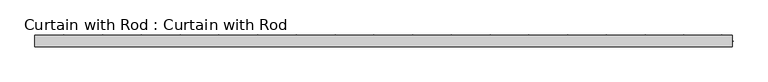
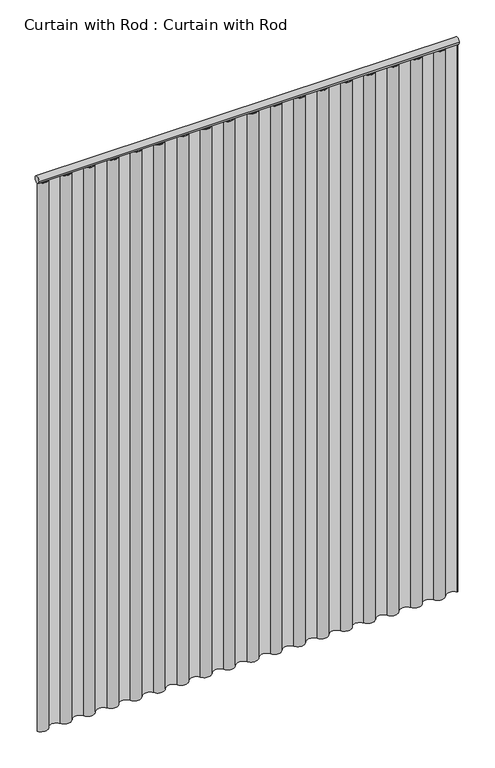
"""IFC4 building model written with IfcOpenShell, lengths in millimetres: proxy geometry, Curtain with Rod : Curtain with Rod."""

from ifc_helpers import new_model, si_unit, point, frame, frame_2d, origin, origin_with_axes, place, context, project, spatial, polyline, circle_curve, trimmed, segment, composite_curve, outline, extrude, source, transform, mapped, element, save


def curtain_with_rod_curtain_with_rod_6dafef4b(model_context):
    return source(origin(), model_context, "Body", "SweptSolid", [
        extrude(outline(composite_curve([segment(trimmed(circle_curve(frame_2d((0.0, 2171.7)), 12.7), [point((12.7, 2171.7))], [point((-12.7, 2171.7))], False, "CARTESIAN"), True, "CONTINUOUS"), segment(trimmed(circle_curve(frame_2d((0.0, 2171.7)), 12.7), [point((-12.7, 2171.7))], [point((12.7, 2171.7))], False, "CARTESIAN"), True, "CONTINUOUS")], self_intersect=False)), frame((-782.5157253, 0.0, 0.0), z_axis=(1.0, 0.0, 0.0), x_axis=(0.0, 1.0, 0.0)), (0.0, 0.0, 1.0), 1565.0314506),
        extrude(outline(composite_curve([segment(trimmed(circle_curve(frame_2d((-760.7791774, 12.8997295)), 25.2760862), [point((-739.0426294, 0.0))], [point((-782.5157253, 0.0))], False, "CARTESIAN"), True, "CONTINUOUS"), segment(polyline([(-782.5157253, 0.0), (-780.6493238, 0.0)]), True, "CONTINUOUS"), segment(trimmed(circle_curve(frame_2d((-760.7791774, 12.8997295)), 23.6902035), [point((-780.6493238, 0.0))], [point((-740.4048858, 0.8119678))], True, "CARTESIAN"), True, "CONTINUOUS"), segment(trimmed(circle_curve(frame_2d((-717.3060815, -12.9840404)), 26.9051036), [point((-740.4048858, 0.8119678))], [point((-694.2080512, 0.8132635))], False, "CARTESIAN"), True, "CONTINUOUS"), segment(trimmed(circle_curve(frame_2d((-673.8329857, 12.9840404)), 23.7333332), [point((-694.2080512, 0.8132635))], [point((-653.4579201, 0.8132635))], True, "CARTESIAN"), True, "CONTINUOUS"), segment(trimmed(circle_curve(frame_2d((-630.3598898, -12.9840404)), 26.9051036), [point((-653.4579201, 0.8132635))], [point((-607.2618595, 0.8132635))], False, "CARTESIAN"), True, "CONTINUOUS"), segment(trimmed(circle_curve(frame_2d((-586.886794, 12.9840404)), 23.7333332), [point((-607.2618595, 0.8132635))], [point((-566.5117284, 0.8132635))], True, "CARTESIAN"), True, "CONTINUOUS"), segment(trimmed(circle_curve(frame_2d((-543.4136981, -12.9840404)), 26.9051036), [point((-566.5117284, 0.8132635))], [point((-520.3156678, 0.8132635))], False, "CARTESIAN"), True, "CONTINUOUS"), segment(trimmed(circle_curve(frame_2d((-499.9406023, 12.9840404)), 23.7333332), [point((-520.3156678, 0.8132635))], [point((-479.5655367, 0.8132635))], True, "CARTESIAN"), True, "CONTINUOUS"), segment(trimmed(circle_curve(frame_2d((-456.4675064, -12.9840404)), 26.9051036), [point((-479.5655367, 0.8132635))], [point((-433.3694761, 0.8132635))], False, "CARTESIAN"), True, "CONTINUOUS"), segment(trimmed(circle_curve(frame_2d((-412.9944106, 12.9840404)), 23.7333332), [point((-433.3694761, 0.8132635))], [point((-392.619345, 0.8132635))], True, "CARTESIAN"), True, "CONTINUOUS"), segment(trimmed(circle_curve(frame_2d((-369.5213147, -12.9840404)), 26.9051036), [point((-392.619345, 0.8132635))], [point((-346.4232844, 0.8132635))], False, "CARTESIAN"), True, "CONTINUOUS"), segment(trimmed(circle_curve(frame_2d((-326.0482189, 12.9840404)), 23.7333332), [point((-346.4232844, 0.8132635))], [point((-305.6731533, 0.8132635))], True, "CARTESIAN"), True, "CONTINUOUS"), segment(trimmed(circle_curve(frame_2d((-282.575123, -12.9840404)), 26.9051036), [point((-305.6731533, 0.8132635))], [point((-259.4770927, 0.8132635))], False, "CARTESIAN"), True, "CONTINUOUS"), segment(trimmed(circle_curve(frame_2d((-239.1020272, 12.9840404)), 23.7333332), [point((-259.4770927, 0.8132635))], [point((-218.7269616, 0.8132635))], True, "CARTESIAN"), True, "CONTINUOUS"), segment(trimmed(circle_curve(frame_2d((-195.6289313, -12.9840404)), 26.9051036), [point((-218.7269616, 0.8132635))], [point((-172.530901, 0.8132635))], False, "CARTESIAN"), True, "CONTINUOUS"), segment(trimmed(circle_curve(frame_2d((-152.1558355, 12.9840404)), 23.7333332), [point((-172.530901, 0.8132635))], [point((-131.7807699, 0.8132635))], True, "CARTESIAN"), True, "CONTINUOUS"), segment(trimmed(circle_curve(frame_2d((-108.6827396, -12.9840404)), 26.9051036), [point((-131.7807699, 0.8132635))], [point((-85.5847093, 0.8132635))], False, "CARTESIAN"), True, "CONTINUOUS"), segment(trimmed(circle_curve(frame_2d((-65.2096438, 12.9840404)), 23.7333332), [point((-85.5847093, 0.8132635))], [point((-44.8345782, 0.8132635))], True, "CARTESIAN"), True, "CONTINUOUS"), segment(trimmed(circle_curve(frame_2d((-21.7365479, -12.9840404)), 26.9051036), [point((-44.8345782, 0.8132635))], [point((1.3614824, 0.8132635))], False, "CARTESIAN"), True, "CONTINUOUS"), segment(trimmed(circle_curve(frame_2d((21.7365479, 12.9840404)), 23.7333332), [point((1.3614824, 0.8132635))], [point((42.1116135, 0.8132635))], True, "CARTESIAN"), True, "CONTINUOUS"), segment(trimmed(circle_curve(frame_2d((65.2096438, -12.9840404)), 26.9051036), [point((42.1116135, 0.8132635))], [point((88.3076741, 0.8132635))], False, "CARTESIAN"), True, "CONTINUOUS"), segment(trimmed(circle_curve(frame_2d((108.6827396, 12.9840404)), 23.7333332), [point((88.3076741, 0.8132635))], [point((129.0578052, 0.8132635))], True, "CARTESIAN"), True, "CONTINUOUS"), segment(trimmed(circle_curve(frame_2d((152.1558355, -12.9840404)), 26.9051036), [point((129.0578052, 0.8132635))], [point((175.2538658, 0.8132635))], False, "CARTESIAN"), True, "CONTINUOUS"), segment(trimmed(circle_curve(frame_2d((195.6289313, 12.9840404)), 23.7333332), [point((175.2538658, 0.8132635))], [point((216.0039969, 0.8132635))], True, "CARTESIAN"), True, "CONTINUOUS"), segment(trimmed(circle_curve(frame_2d((239.1020272, -12.9840404)), 26.9051036), [point((216.0039969, 0.8132635))], [point((262.2000575, 0.8132635))], False, "CARTESIAN"), True, "CONTINUOUS"), segment(trimmed(circle_curve(frame_2d((282.575123, 12.9840404)), 23.7333332), [point((262.2000575, 0.8132635))], [point((302.9501886, 0.8132635))], True, "CARTESIAN"), True, "CONTINUOUS"), segment(trimmed(circle_curve(frame_2d((326.0482189, -12.9840404)), 26.9051036), [point((302.9501886, 0.8132635))], [point((349.1462492, 0.8132635))], False, "CARTESIAN"), True, "CONTINUOUS"), segment(trimmed(circle_curve(frame_2d((369.5213147, 12.9840404)), 23.7333332), [point((349.1462492, 0.8132635))], [point((389.8963803, 0.8132635))], True, "CARTESIAN"), True, "CONTINUOUS"), segment(trimmed(circle_curve(frame_2d((412.9944106, -12.9840404)), 26.9051036), [point((389.8963803, 0.8132635))], [point((436.0924409, 0.8132635))], False, "CARTESIAN"), True, "CONTINUOUS"), segment(trimmed(circle_curve(frame_2d((456.4675064, 12.9840404)), 23.7333332), [point((436.0924409, 0.8132635))], [point((476.842572, 0.8132635))], True, "CARTESIAN"), True, "CONTINUOUS"), segment(trimmed(circle_curve(frame_2d((499.9406023, -12.9840404)), 26.9051036), [point((476.842572, 0.8132635))], [point((523.0386326, 0.8132635))], False, "CARTESIAN"), True, "CONTINUOUS"), segment(trimmed(circle_curve(frame_2d((543.4136981, 12.9840404)), 23.7333332), [point((523.0386326, 0.8132635))], [point((563.7887637, 0.8132635))], True, "CARTESIAN"), True, "CONTINUOUS"), segment(trimmed(circle_curve(frame_2d((586.886794, -12.9840404)), 26.9051036), [point((563.7887637, 0.8132635))], [point((609.9848243, 0.8132635))], False, "CARTESIAN"), True, "CONTINUOUS"), segment(trimmed(circle_curve(frame_2d((630.3598898, 12.9840404)), 23.7333332), [point((609.9848243, 0.8132635))], [point((650.7349554, 0.8132635))], True, "CARTESIAN"), True, "CONTINUOUS"), segment(trimmed(circle_curve(frame_2d((673.8329857, -12.9840404)), 26.9051036), [point((650.7349554, 0.8132635))], [point((696.9331238, 0.8097341))], False, "CARTESIAN"), True, "CONTINUOUS"), segment(trimmed(circle_curve(frame_2d((717.3060815, 12.9750287)), 23.7287125), [point((696.9331238, 0.8097341))], [point((737.6618708, 0.7810285))], True, "CARTESIAN"), True, "CONTINUOUS"), segment(trimmed(circle_curve(frame_2d((760.7791774, -13.0672402)), 26.947809), [point((737.6618708, 0.7810285))], [point((784.3467747, 0.0))], False, "CARTESIAN"), True, "CONTINUOUS"), segment(polyline([(784.3467747, 0.0), (782.5157253, 0.0)]), True, "CONTINUOUS"), segment(trimmed(circle_curve(frame_2d((760.7791774, -13.0672402)), 25.361985), [point((782.5157253, 0.0))], [point((739.0426294, 0.0))], True, "CARTESIAN"), True, "CONTINUOUS"), segment(trimmed(circle_curve(frame_2d((717.3060815, 12.9750287)), 25.3145982), [point((739.0426294, 0.0))], [point((695.5695336, 0.0))], False, "CARTESIAN"), True, "CONTINUOUS"), segment(trimmed(circle_curve(frame_2d((673.8329857, -12.9840404)), 25.3192184), [point((695.5695336, 0.0))], [point((652.0964377, 0.0))], True, "CARTESIAN"), True, "CONTINUOUS"), segment(trimmed(circle_curve(frame_2d((630.3598898, 12.9840404)), 25.3192184), [point((652.0964377, 0.0))], [point((608.6233419, 0.0))], False, "CARTESIAN"), True, "CONTINUOUS"), segment(trimmed(circle_curve(frame_2d((586.886794, -12.9840404)), 25.3192184), [point((608.6233419, 0.0))], [point((565.150246, 0.0))], True, "CARTESIAN"), True, "CONTINUOUS"), segment(trimmed(circle_curve(frame_2d((543.4136981, 12.9840404)), 25.3192184), [point((565.150246, 0.0))], [point((521.6771502, 0.0))], False, "CARTESIAN"), True, "CONTINUOUS"), segment(trimmed(circle_curve(frame_2d((499.9406023, -12.9840404)), 25.3192184), [point((521.6771502, 0.0))], [point((478.2040543, 0.0))], True, "CARTESIAN"), True, "CONTINUOUS"), segment(trimmed(circle_curve(frame_2d((456.4675064, 12.9840404)), 25.3192184), [point((478.2040543, 0.0))], [point((434.7309585, 0.0))], False, "CARTESIAN"), True, "CONTINUOUS"), segment(trimmed(circle_curve(frame_2d((412.9944106, -12.9840404)), 25.3192184), [point((434.7309585, 0.0))], [point((391.2578626, 0.0))], True, "CARTESIAN"), True, "CONTINUOUS"), segment(trimmed(circle_curve(frame_2d((369.5213147, 12.9840404)), 25.3192184), [point((391.2578626, 0.0))], [point((347.7847668, 0.0))], False, "CARTESIAN"), True, "CONTINUOUS"), segment(trimmed(circle_curve(frame_2d((326.0482189, -12.9840404)), 25.3192184), [point((347.7847668, 0.0))], [point((304.3116709, 0.0))], True, "CARTESIAN"), True, "CONTINUOUS"), segment(trimmed(circle_curve(frame_2d((282.575123, 12.9840404)), 25.3192184), [point((304.3116709, 0.0))], [point((260.8385751, 0.0))], False, "CARTESIAN"), True, "CONTINUOUS"), segment(trimmed(circle_curve(frame_2d((239.1020272, -12.9840404)), 25.3192184), [point((260.8385751, 0.0))], [point((217.3654792, 0.0))], True, "CARTESIAN"), True, "CONTINUOUS"), segment(trimmed(circle_curve(frame_2d((195.6289313, 12.9840404)), 25.3192184), [point((217.3654792, 0.0))], [point((173.8923834, 0.0))], False, "CARTESIAN"), True, "CONTINUOUS"), segment(trimmed(circle_curve(frame_2d((152.1558355, -12.9840404)), 25.3192184), [point((173.8923834, 0.0))], [point((130.4192875, 0.0))], True, "CARTESIAN"), True, "CONTINUOUS"), segment(trimmed(circle_curve(frame_2d((108.6827396, 12.9840404)), 25.3192184), [point((130.4192875, 0.0))], [point((86.9461917, 0.0))], False, "CARTESIAN"), True, "CONTINUOUS"), segment(trimmed(circle_curve(frame_2d((65.2096438, -12.9840404)), 25.3192184), [point((86.9461917, 0.0))], [point((43.4730958, 0.0))], True, "CARTESIAN"), True, "CONTINUOUS"), segment(trimmed(circle_curve(frame_2d((21.7365479, 12.9840404)), 25.3192184), [point((43.4730958, 0.0))], [point((0.0, 0.0))], False, "CARTESIAN"), True, "CONTINUOUS"), segment(trimmed(circle_curve(frame_2d((-21.7365479, -12.9840404)), 25.3192184), [point((0.0, 0.0))], [point((-43.4730958, 0.0))], True, "CARTESIAN"), True, "CONTINUOUS"), segment(trimmed(circle_curve(frame_2d((-65.2096438, 12.9840404)), 25.3192184), [point((-43.4730958, 0.0))], [point((-86.9461917, 0.0))], False, "CARTESIAN"), True, "CONTINUOUS"), segment(trimmed(circle_curve(frame_2d((-108.6827396, -12.9840404)), 25.3192184), [point((-86.9461917, 0.0))], [point((-130.4192875, 0.0))], True, "CARTESIAN"), True, "CONTINUOUS"), segment(trimmed(circle_curve(frame_2d((-152.1558355, 12.9840404)), 25.3192184), [point((-130.4192875, 0.0))], [point((-173.8923834, 0.0))], False, "CARTESIAN"), True, "CONTINUOUS"), segment(trimmed(circle_curve(frame_2d((-195.6289313, -12.9840404)), 25.3192184), [point((-173.8923834, 0.0))], [point((-217.3654792, 0.0))], True, "CARTESIAN"), True, "CONTINUOUS"), segment(trimmed(circle_curve(frame_2d((-239.1020272, 12.9840404)), 25.3192184), [point((-217.3654792, 0.0))], [point((-260.8385751, 0.0))], False, "CARTESIAN"), True, "CONTINUOUS"), segment(trimmed(circle_curve(frame_2d((-282.575123, -12.9840404)), 25.3192184), [point((-260.8385751, 0.0))], [point((-304.3116709, 0.0))], True, "CARTESIAN"), True, "CONTINUOUS"), segment(trimmed(circle_curve(frame_2d((-326.0482189, 12.9840404)), 25.3192184), [point((-304.3116709, 0.0))], [point((-347.7847668, 0.0))], False, "CARTESIAN"), True, "CONTINUOUS"), segment(trimmed(circle_curve(frame_2d((-369.5213147, -12.9840404)), 25.3192184), [point((-347.7847668, 0.0))], [point((-391.2578626, 0.0))], True, "CARTESIAN"), True, "CONTINUOUS"), segment(trimmed(circle_curve(frame_2d((-412.9944106, 12.9840404)), 25.3192184), [point((-391.2578626, 0.0))], [point((-434.7309585, 0.0))], False, "CARTESIAN"), True, "CONTINUOUS"), segment(trimmed(circle_curve(frame_2d((-456.4675064, -12.9840404)), 25.3192184), [point((-434.7309585, 0.0))], [point((-478.2040543, 0.0))], True, "CARTESIAN"), True, "CONTINUOUS"), segment(trimmed(circle_curve(frame_2d((-499.9406023, 12.9840404)), 25.3192184), [point((-478.2040543, 0.0))], [point((-521.6771502, 0.0))], False, "CARTESIAN"), True, "CONTINUOUS"), segment(trimmed(circle_curve(frame_2d((-543.4136981, -12.9840404)), 25.3192184), [point((-521.6771502, 0.0))], [point((-565.150246, 0.0))], True, "CARTESIAN"), True, "CONTINUOUS"), segment(trimmed(circle_curve(frame_2d((-586.886794, 12.9840404)), 25.3192184), [point((-565.150246, 0.0))], [point((-608.6233419, 0.0))], False, "CARTESIAN"), True, "CONTINUOUS"), segment(trimmed(circle_curve(frame_2d((-630.3598898, -12.9840404)), 25.3192184), [point((-608.6233419, 0.0))], [point((-652.0964377, 0.0))], True, "CARTESIAN"), True, "CONTINUOUS"), segment(trimmed(circle_curve(frame_2d((-673.8329857, 12.9840404)), 25.3192184), [point((-652.0964377, 0.0))], [point((-695.5695336, 0.0))], False, "CARTESIAN"), True, "CONTINUOUS"), segment(trimmed(circle_curve(frame_2d((-717.3060815, -12.9840404)), 25.3192184), [point((-695.5695336, 0.0))], [point((-739.0426294, 0.0))], True, "CARTESIAN"), True, "CONTINUOUS")], self_intersect=False)), origin_with_axes(), (0.0, 0.0, 1.0), 2159.0),
    ])


if __name__ == "__main__":
    model = new_model("IFC4")
    model_context = context("Model", 3, world=origin())
    ifc_project = project(units=[si_unit("LENGTHUNIT", "METRE", prefix="MILLI")], contexts=[model_context])
    site = spatial("IfcSite", under=ifc_project)
    building = spatial("IfcBuilding", under=site)
    placement = place(None, origin())
    curtain_with_rod_curtain_with_rod_shape = curtain_with_rod_curtain_with_rod_6dafef4b(model_context)
    element("IfcBuildingElementProxy", 1, Name="Curtain with Rod : Curtain with Rod", ObjectType="Curtain with Rod : Curtain with Rod", at=placement, inside=building, context=model_context, shape_type="MappedRepresentation", body=[
        mapped(curtain_with_rod_curtain_with_rod_shape, transform((0.0, 0.0, 0.0), x_axis=(1.0, 0.0, 0.0), y_axis=(0.0, 1.0, 0.0), z_axis=(0.0, 0.0, 1.0))),
    ])
    save(model, "model.ifc")
